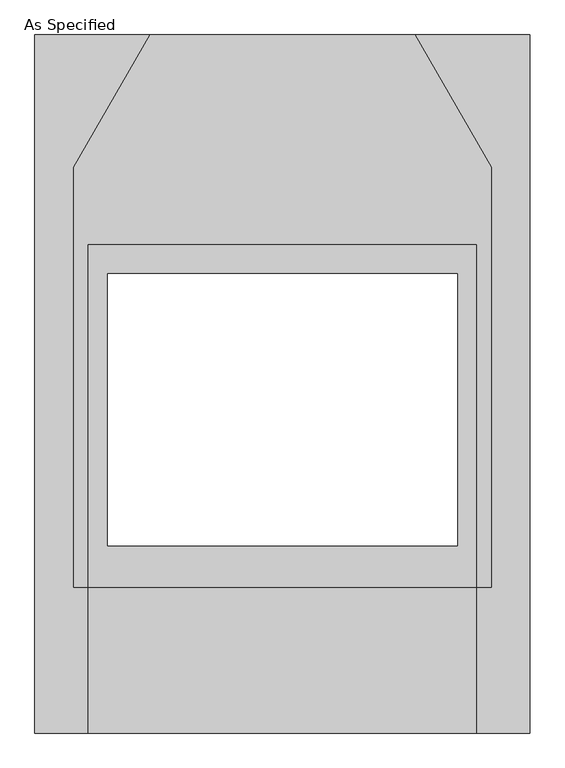
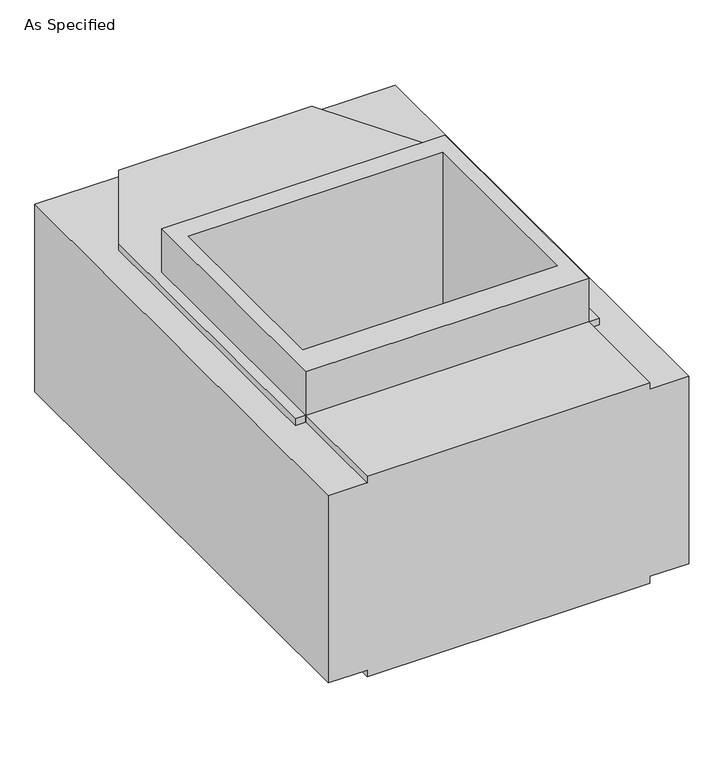
"""IFC4 building model written with IfcOpenShell, lengths in millimetres: proxy geometry, As Specified."""

from ifc_helpers import new_model, si_unit, frame, origin, place, context, project, spatial, polyline, outline, extrude, faceted_brep, source, transform, mapped, element, save


def as_specified_c183d133(model_context):
    return source(origin(), model_context, "Body", "SolidModel", [
        extrude(outline(polyline([(508.0, 363.8351562), (508.0, -531.5148438), (-508.0, -531.5148438), (-508.0, 363.8351562), (508.0, 363.8351562)]), holes=[polyline([(-457.2, 287.6748437), (-457.2, -423.5251563), (457.2, -423.5251563), (457.2, 287.6748437), (-457.2, 287.6748437)])]), frame((0.0, 0.0, -952.5), z_axis=(0.0, 0.0, 1.0), x_axis=(1.0, 0.0, 0.0)), (0.0, 0.0, 1.0), 1092.2),
        faceted_brep([(508.0, -912.5148438, -787.4), (-508.0, -912.5148438, -787.4), (-508.0, -531.5148438, -787.4), (-546.1, -531.5148438, -787.4), (-546.1, 567.0748437, -787.4), (-346.660123, 912.5148437, -787.4), (346.660123, 912.5148437, -787.4), (546.1, 567.0748437, -787.4), (546.1, -531.5148438, -787.4), (508.0, -531.5148438, -787.4), (457.2, -423.5251563, -787.4), (457.2, 287.6748437, -787.4), (-457.2, 287.6748437, -787.4), (-457.2, -423.5251563, -787.4), (508.0, -912.5148438, -25.4), (508.0, -531.5148438, -25.4), (546.1, -531.5148438, -25.4), (546.1, 567.0748437, -25.4), (346.660123, 912.5148437, -25.4), (-346.660123, 912.5148437, -25.4), (-546.1, 567.0748437, -25.4), (-546.1, -531.5148438, -25.4), (-508.0, -531.5148438, -25.4), (-508.0, -912.5148438, -25.4), (457.2, 287.6748437, -25.4), (457.2, -423.5251563, -25.4), (-457.2, -423.5251563, -25.4), (-457.2, 287.6748437, -25.4), (-346.660123, 912.5148437, -762.0), (-647.7, 912.5148437, -762.0), (-647.7, 912.5148437, -50.8), (-346.660123, 912.5148437, -50.8), (346.660123, 912.5148437, -50.8), (647.7, 912.5148437, -50.8), (647.7, 912.5148437, -762.0), (346.660123, 912.5148437, -762.0), (-546.1, -531.5148438, -762.0), (-546.1, 567.0748437, -762.0), (-546.1, 567.0748437, -50.8), (-546.1, -531.5148438, -50.8), (-508.0, -531.5148438, -762.0), (546.1, -531.5148438, -762.0), (508.0, -531.5148438, -762.0), (508.0, -531.5148438, -50.8), (546.1, -531.5148438, -50.8), (-508.0, -531.5148438, -50.8), (546.1, 567.0748437, -762.0), (546.1, 567.0748437, -50.8), (508.0, -912.5148438, -762.0), (508.0, -912.5148438, -50.8), (-508.0, -912.5148438, -762.0), (-508.0, -912.5148438, -50.8), (647.7, -912.5148438, -762.0), (647.7, -912.5148438, -50.8), (-647.7, -912.5148438, -50.8), (-647.7, -912.5148438, -762.0)], [[[0, 1, 2, 3, 4, 5, 6, 7, 8, 9], [10, 11, 12, 13]], [[14, 15, 16, 17, 18, 19, 20, 21, 22, 23], [24, 25, 26, 27]], [[6, 5, 28, 29, 30, 31, 19, 18, 32, 33, 34, 35]], [[4, 3, 36, 37]], [[21, 20, 38, 39]], [[3, 2, 40, 36]], [[9, 8, 41, 42]], [[16, 15, 43, 44]], [[22, 21, 39, 45]], [[8, 7, 46, 41]], [[17, 16, 44, 47]], [[0, 9, 42, 48]], [[15, 14, 49, 43]], [[2, 1, 50, 40]], [[23, 22, 45, 51]], [[1, 0, 48, 52, 53, 49, 14, 23, 51, 54, 55, 50]], [[5, 4, 37, 28]], [[20, 19, 31, 38]], [[7, 6, 35, 46]], [[18, 17, 47, 32]], [[24, 11, 10, 25]], [[25, 10, 13, 26]], [[26, 13, 12, 27]], [[11, 24, 27, 12]], [[50, 55, 29, 28, 37, 36, 40]], [[31, 30, 54, 51, 45, 39, 38]], [[29, 55, 54, 30]], [[35, 34, 52, 48, 42, 41, 46]], [[49, 53, 33, 32, 47, 44, 43]], [[52, 34, 33, 53]]]),
    ])


if __name__ == "__main__":
    model = new_model("IFC4")
    model_context = context("Model", 3, world=origin())
    ifc_project = project(units=[si_unit("LENGTHUNIT", "METRE", prefix="MILLI")], contexts=[model_context])
    site = spatial("IfcSite", under=ifc_project)
    building = spatial("IfcBuilding", under=site)
    placement = place(None, origin())
    as_specified_shape = as_specified_c183d133(model_context)
    element("IfcBuildingElementProxy", 1, Name="As Specified", ObjectType="As Specified", at=placement, inside=building, context=model_context, shape_type="MappedRepresentation", body=[
        mapped(as_specified_shape, transform((0.0, 0.0, 0.0), x_axis=(1.0, 0.0, 0.0), y_axis=(0.0, 1.0, 0.0), z_axis=(0.0, 0.0, 1.0))),
    ])
    save(model, "model.ifc")
